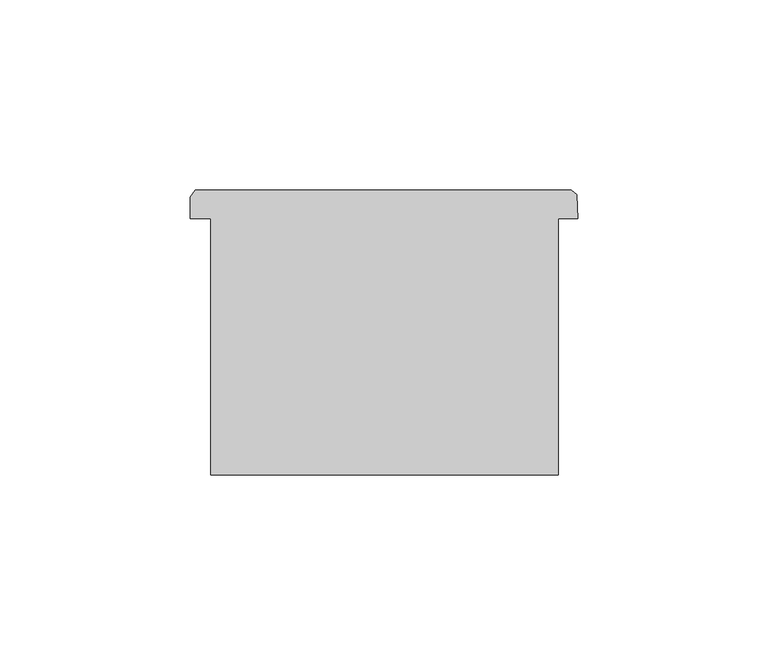
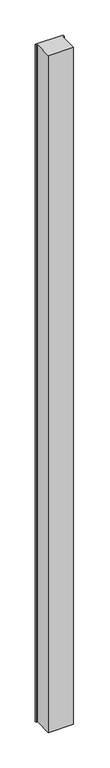
"""IFC4 building model written with IfcOpenShell, lengths in millimetres: column geometry."""

from ifc_helpers import new_model, si_unit, frame, origin, place, context, project, spatial, polyline, outline, extrude, source, transform, mapped, element, save


def column_d7b37bca(model_context):
    return source(origin(), model_context, "Body", "SweptSolid", [
        extrude(outline(polyline([(48745.827705, -53318.748582), (48740.7334556, -53318.748582), (48740.7334556, -53386.0375), (48649.5266022, -53386.0375), (48649.5266022, -53318.748582), (48644.227705, -53318.748582), (48644.227705, -53313.049711), (48645.4617386, -53311.282379), (48744.1844012, -53311.282379), (48745.6726888, -53312.361371), (48745.827705, -53318.748582)])), frame((0.0, 0.0, 4419.602032), z_axis=(0.0, 0.0, 1.0), x_axis=(1.0, 0.0, 0.0)), (0.0, 0.0, 1.0), 2590.8000818),
        extrude(outline(polyline([(48745.827705, -53318.748582), (48740.7334556, -53318.748582), (48740.7334556, -53386.0375), (48649.5266022, -53386.0375), (48649.5266022, -53318.748582), (48644.227705, -53318.748582), (48644.227705, -53313.049711), (48645.4617386, -53311.282379), (48744.1844012, -53311.282379), (48745.6726888, -53312.361371), (48745.827705, -53318.748582)])), frame((0.0, 0.0, 4419.602032), z_axis=(0.0, 0.0, 1.0), x_axis=(1.0, 0.0, 0.0)), (0.0, 0.0, 1.0), 2590.8000818),
    ])


if __name__ == "__main__":
    model = new_model("IFC4")
    model_context = context("Model", 3, world=origin())
    ifc_project = project(units=[si_unit("LENGTHUNIT", "METRE", prefix="MILLI")], contexts=[model_context])
    site = spatial("IfcSite", under=ifc_project)
    building = spatial("IfcBuilding", under=site)
    placement = place(None, origin())
    column_shape = column_d7b37bca(model_context)
    element("IfcColumn", 1, at=placement, inside=building, context=model_context, shape_type="MappedRepresentation", body=[
        mapped(column_shape, transform((0.0, 0.0, 0.0), x_axis=(1.0, 0.0, 0.0), y_axis=(0.0, 1.0, 0.0), z_axis=(0.0, 0.0, 1.0))),
    ])
    save(model, "model.ifc")
